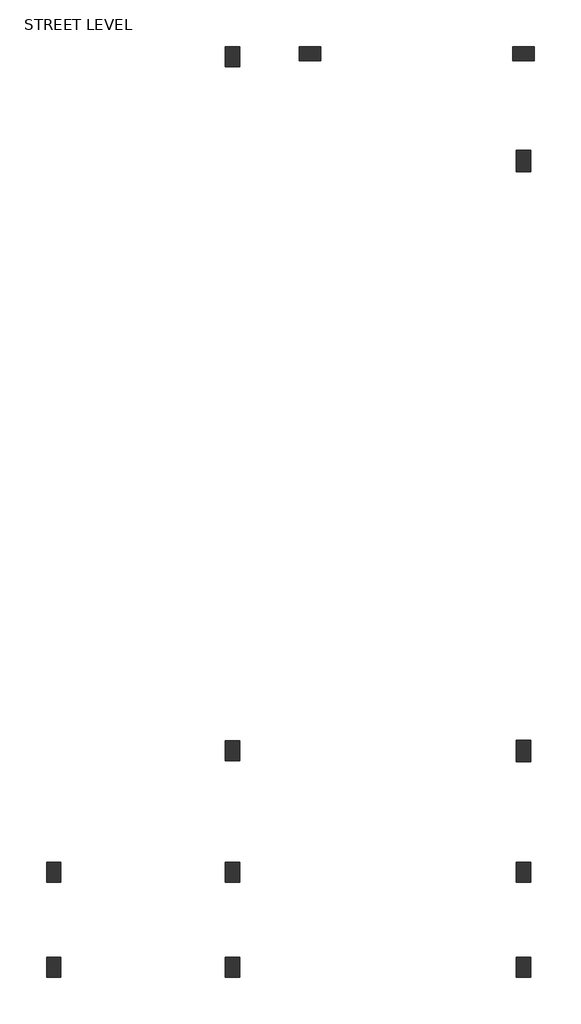
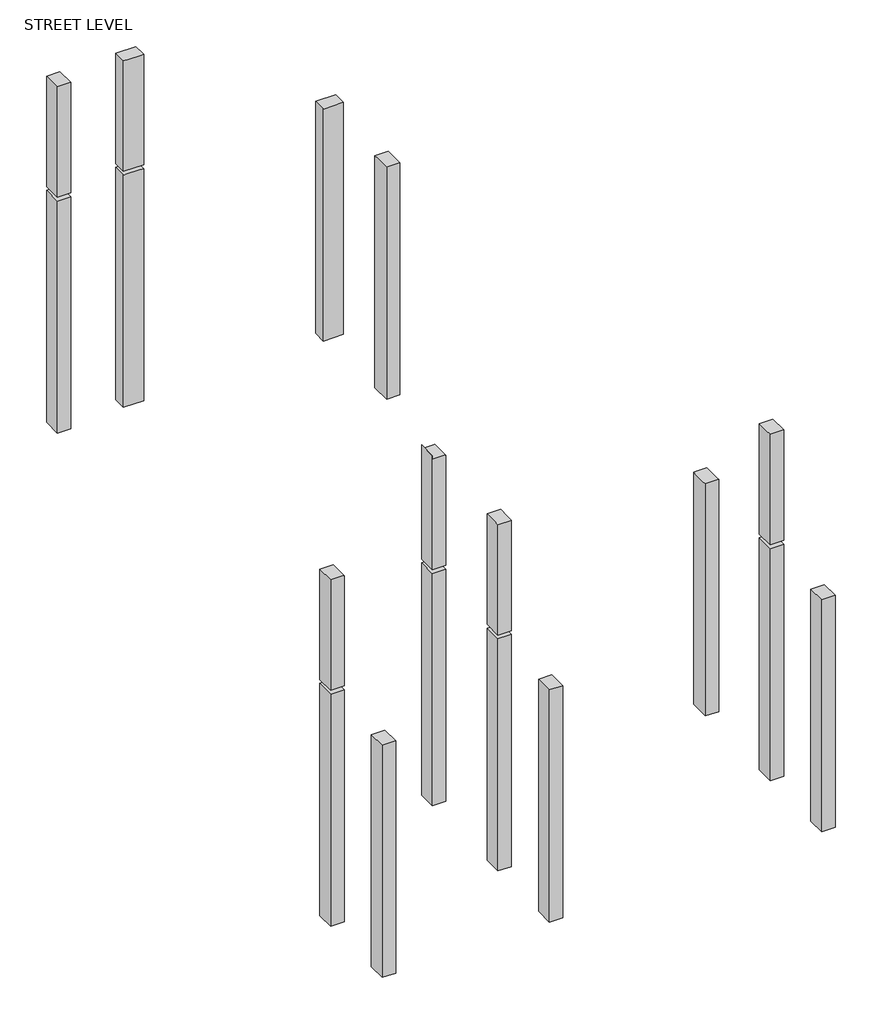
# One storey: 12 columns.
"""IFC4 building model written with IfcOpenShell, lengths in millimetres."""

from ifc_helpers import new_model, si_unit, frame, origin, place, context, project, spatial, polyline, outline, extrude, faceted_brep, element, save

model = new_model("IFC4")

# Units and contexts
model_context = context("Model", 3, world=origin())
ifc_project = project(units=[si_unit("LENGTHUNIT", "METRE", prefix="MILLI")], contexts=[model_context])

# Site, building, storey
site = spatial("IfcSite", under=ifc_project)
building = spatial("IfcBuilding", under=site)
storey = spatial("IfcBuildingStorey", under=building, Name="STREET LEVEL", Elevation=-5267.1699131)

# Columns
placement = place(None, origin())
element("IfcColumn", 1, ObjectType="SCL_Rectangular : 700x500", at=placement, inside=storey, context=model_context, shape_type="SweptSolid", body=[
    extrude(outline(polyline([(60627.0, 2230.0), (60627.0, 1530.0), (60127.0, 1530.0), (60127.0, 2230.0), (60627.0, 2230.0)])), frame((0.0, 0.0, -7067.1699131), z_axis=(0.0, 0.0, 1.0), x_axis=(1.0, 0.0, 0.0)), (0.0, 0.0, 1.0), 9140.0),
])
element("IfcColumn", 2, ObjectType="SCL_Rectangular : 700x500", at=placement, inside=storey, context=model_context, shape_type="Brep", body=[
    faceted_brep([(60627.0, 5550.0, -7067.1699131), (60627.0, 4850.0, -7067.1699131), (60127.0, 4850.0, -7067.1699131), (60127.0, 5550.0, -7067.1699131), (60127.0, 4850.0, 2072.8300869), (60177.0, 4850.0, 2072.8300869), (60627.0, 4850.0, 2072.8300869), (60627.0, 5550.0, 2072.8300869), (60177.0, 5550.0, 2072.8300869), (60127.0, 5550.0, 2072.8300869), (60127.0, 5100.0, 2072.8300869), (60127.0, 5550.0, 1622.8300869), (60627.0, 5550.0, 1622.8300869), (60627.0, 4850.0, 1622.8300869)], [[[0, 1, 2, 3]], [[4, 5, 6, 7, 8, 9, 10]], [[3, 2, 4, 10, 9, 11]], [[1, 0, 12, 7, 6, 13]], [[2, 1, 13, 6, 5, 4]], [[0, 3, 11, 9, 8, 7, 12]]]),
    faceted_brep([(60627.0, 4850.0, 2222.8300869), (60627.0, 5550.0, 2222.8300869), (60627.0, 5550.0, 6122.8300869), (60627.0, 5550.0, 6572.8300869), (60627.0, 4850.0, 6572.8300869), (60627.0, 4850.0, 6122.8300869), (60127.0, 4850.0, 2222.8300869), (60177.0, 4850.0, 6572.8300869), (60127.0, 4850.0, 6572.8300869), (60127.0, 5550.0, 2222.8300869), (60127.0, 5100.0, 6572.8300869), (60127.0, 5550.0, 6572.8300869), (60127.0, 5550.0, 6122.8300869), (60177.0, 5550.0, 6572.8300869)], [[[0, 1, 2, 3, 4, 5]], [[6, 0, 5, 4, 7, 8]], [[9, 6, 8, 10, 11, 12]], [[1, 9, 12, 11, 13, 3, 2]], [[0, 6, 9, 1]], [[4, 3, 13, 11, 10, 8, 7]]]),
])
element("IfcColumn", 3, ObjectType="SCL_Rectangular : 700x500", at=placement, inside=storey, context=model_context, shape_type="Brep", body=[
    faceted_brep([(44250.0, 5550.0, -7067.1699131), (44250.0, 4850.0, -7067.1699131), (43750.0, 4850.0, -7067.1699131), (43750.0, 5550.0, -7067.1699131), (44250.0, 4850.0, 2072.8300869), (44250.0, 5550.0, 2072.8300869), (43750.0, 5550.0, 2072.8300869), (43750.0, 4850.0, 2072.8300869)], [[[0, 1, 2, 3]], [[4, 5, 6, 7]], [[1, 0, 5, 4]], [[2, 1, 4, 7]], [[3, 2, 7, 6]], [[0, 3, 6, 5]]]),
    faceted_brep([(44250.0, 4850.0, 2222.8300869), (44250.0, 5550.0, 2222.8300869), (44250.0, 5550.0, 6122.8300869), (44250.0, 5550.0, 6572.8300869), (44250.0, 5100.0, 6572.8300869), (44250.0, 4850.0, 6572.8300869), (43750.0, 4850.0, 2222.8300869), (44200.0000001, 4850.0, 6572.8300869), (43750.0, 4850.0, 6572.8300869), (43750.0, 4850.0, 6122.8300869), (43750.0, 5550.0, 2222.8300869), (43750.0, 5550.0, 6572.8300869)], [[[0, 1, 2, 3, 4, 5]], [[6, 0, 5, 7, 8, 9]], [[10, 6, 9, 8, 11]], [[1, 10, 11, 3, 2]], [[1, 0, 6, 10]], [[5, 4, 3, 11, 8, 7]]]),
])
element("IfcColumn", 4, ObjectType="SCL_Rectangular : 700x500", at=placement, inside=storey, context=model_context, shape_type="SweptSolid", body=[
    extrude(outline(polyline([(44250.0, 2230.0), (44250.0, 1530.0), (43750.0, 1530.0), (43750.0, 2230.0), (44250.0, 2230.0)])), frame((0.0, 0.0, -7067.1699131), z_axis=(0.0, 0.0, 1.0), x_axis=(1.0, 0.0, 0.0)), (0.0, 0.0, 1.0), 9140.0),
])
element("IfcColumn", 5, ObjectType="SCL_Rectangular : 700x500", at=placement, inside=storey, context=model_context, shape_type="SweptSolid", body=[
    extrude(outline(polyline([(50480.0, 2230.0), (50480.0, 1530.0), (49980.0, 1530.0), (49980.0, 2230.0), (50480.0, 2230.0)])), frame((0.0, 0.0, -7067.1699131), z_axis=(0.0, 0.0, 1.0), x_axis=(1.0, 0.0, 0.0)), (0.0, 0.0, 1.0), 9140.0),
])
element("IfcColumn", 6, ObjectType="SCL_Rectangular : 700x500", at=placement, inside=storey, context=model_context, shape_type="Brep", body=[
    faceted_brep([(50480.0, 5550.0, -7067.1699131), (50480.0, 4850.0, -7067.1699131), (49980.0, 4850.0, -7067.1699131), (49980.0, 5550.0, -7067.1699131), (50480.0, 4850.0, 2072.8300869), (50480.0, 5550.0, 2072.8300869), (50430.0, 5550.0, 2072.8300869), (49980.0, 5550.0, 2072.8300869), (49980.0, 4850.0, 2072.8300869), (50430.0, 4850.0, 2072.8300869), (49980.0, 4850.0, 1622.8300869), (49980.0, 5550.0, 1622.8300869)], [[[0, 1, 2, 3]], [[4, 5, 6, 7, 8, 9]], [[1, 0, 5, 4]], [[2, 1, 4, 9, 8, 10]], [[3, 2, 10, 8, 7, 11]], [[0, 3, 11, 7, 6, 5]]]),
    faceted_brep([(50480.0, 4850.0, 2222.8300869), (50480.0, 5550.0, 2222.8300869), (50480.0, 5550.0, 6122.8300869), (50480.0, 5550.0, 6572.8300869), (50480.0, 5100.0, 6572.8300869), (50480.0, 4850.0, 6572.8300869), (49980.0, 4850.0, 2222.8300869), (50431.1006505, 4850.0, 6572.8300869), (49981.1006505, 4850.0, 6572.8300869), (49980.0, 4850.0, 6572.8300869), (49980.0, 5550.0, 2222.8300869), (49980.0, 5100.0, 6572.8300869), (49980.0, 5550.0, 6572.8300869), (49980.0, 5550.0, 6122.8300869), (49981.1006505, 5550.0, 6572.8300869), (50431.1006505, 5550.0, 6572.8300869)], [[[0, 1, 2, 3, 4, 5]], [[6, 0, 5, 7, 8, 9]], [[10, 6, 9, 11, 12, 13]], [[1, 10, 13, 12, 14, 15, 3, 2]], [[1, 0, 6, 10]], [[5, 4, 3, 15, 14, 12, 11, 9, 8, 7]]]),
])
element("IfcColumn", 7, ObjectType="SCL_Rectangular : 700x500", at=placement, inside=storey, context=model_context, shape_type="Brep", body=[
    faceted_brep([(50480.0, 9780.0, -7067.1699131), (50480.0, 9080.0, -7067.1699131), (49980.0, 9080.0, -7067.1699131), (49980.0, 9780.0, -7067.1699131), (50480.0, 9080.0, 2072.8300869), (50480.0, 9780.0, 2072.8300869), (50430.0, 9780.0, 2072.8300869), (49980.0, 9780.0, 2072.8300869), (49980.0, 9080.0, 2072.8300869), (50430.0, 9080.0, 2072.8300869), (49980.0, 9080.0, 1622.8300869), (49980.0, 9780.0, 1622.8300869)], [[[0, 1, 2, 3]], [[4, 5, 6, 7, 8, 9]], [[1, 0, 5, 4]], [[2, 1, 4, 9, 8, 10]], [[3, 2, 10, 8, 7, 11]], [[0, 3, 11, 7, 6, 5]]]),
    faceted_brep([(50480.0, 9080.0, 2222.8300869), (50480.0, 9780.0, 2222.8300869), (50480.0, 9780.0, 6572.8300869), (50480.0, 9655.0, 6572.8300869), (50480.0, 9205.0, 6572.8300869), (50480.0, 9080.0, 6572.8300869), (49980.0, 9080.0, 6722.8300869), (49980.0, 9080.0, 2222.8300869), (50431.1006505, 9080.0, 6572.8300869), (49981.1006505, 9080.0, 6572.8300869), (49981.1006505, 9080.0, 6722.8300869), (49980.0, 9780.0, 6722.8300869), (49980.0, 9780.0, 2222.8300869), (49981.1006505, 9780.0, 6722.8300869), (49981.1006505, 9780.0, 6572.8300869), (50431.1006505, 9780.0, 6572.8300869)], [[[0, 1, 2, 3, 4, 5]], [[6, 7, 0, 5, 8, 9, 10]], [[6, 11, 12, 7]], [[12, 11, 13, 14, 15, 2, 1]], [[11, 6, 10, 13]], [[1, 0, 7, 12]], [[14, 9, 8, 5, 4, 3, 2, 15]], [[9, 14, 13, 10]]]),
])
element("IfcColumn", 8, ObjectType="SCL_Rectangular : 700x500", at=placement, inside=storey, context=model_context, shape_type="SweptSolid", body=[
    extrude(outline(polyline([(50481.1006505, 33975.7619911), (50481.1006505, 33275.7619911), (49981.1006505, 33275.7619911), (49981.1006505, 33975.7619911), (50481.1006505, 33975.7619911)])), frame((0.0, 0.0, -7067.1699131), z_axis=(0.0, 0.0, 1.0), x_axis=(1.0, 0.0, 0.0)), (0.0, 0.0, 1.0), 9140.0),
    extrude(outline(polyline([(50481.1006505, 33975.7619911), (50481.1006505, 33275.7619911), (49981.1006505, 33275.7619911), (49981.1006505, 33975.7619911), (50481.1006505, 33975.7619911)])), frame((0.0, 0.0, 2222.8300869), z_axis=(0.0, 0.0, 1.0), x_axis=(1.0, 0.0, 0.0)), (0.0, 0.0, 1.0), 4350.0),
])
element("IfcColumn", 9, ObjectType="SCL_Rectangular : 750x500", at=placement, inside=storey, context=model_context, shape_type="Brep", body=[
    faceted_brep([(60627.0, 9805.0, -7067.1699131), (60627.0, 9055.0, -7067.1699131), (60127.0, 9055.0, -7067.1699131), (60127.0, 9805.0, -7067.1699131), (60627.0, 9805.0, 1622.8300869), (60627.0, 9805.0, 2072.8300869), (60627.0, 9655.0, 2072.8300869), (60627.0, 9205.0, 2072.8300869), (60627.0, 9180.0, 2072.8300869), (60627.0, 9085.0, 2072.8300869), (60627.0, 9055.0, 2072.8300869), (60627.0, 9055.0, 1622.8300869), (60177.0, 9055.0, 2072.8300869), (60127.0, 9055.0, 2072.8300869), (60127.0, 9205.0, 2072.8300869), (60127.0, 9655.0, 2072.8300869), (60127.0, 9805.0, 2072.8300869), (60177.0, 9805.0, 2072.8300869)], [[[0, 1, 2, 3]], [[1, 0, 4, 5, 6, 7, 8, 9, 10, 11]], [[2, 1, 11, 10, 12, 13]], [[3, 2, 13, 14, 15, 16]], [[0, 3, 16, 17, 5, 4]], [[10, 9, 8, 7, 6, 5, 17, 16, 15, 14, 13, 12]]]),
])
element("IfcColumn", 10, ObjectType="SCL_Rectangular : 750x500", at=placement, inside=storey, context=model_context, shape_type="Brep", body=[
    faceted_brep([(60627.0, 30365.0, -7067.1699131), (60627.0, 29615.0, -7067.1699131), (60127.0, 29615.0, -7067.1699131), (60127.0, 30365.0, -7067.1699131), (60627.0, 30365.0, 1622.8300869), (60627.0, 30365.0, 2072.8300869), (60627.0, 30190.0, 2072.8300869), (60627.0, 29740.0, 2072.8300869), (60627.0, 29615.0, 2072.8300869), (60627.0, 29615.0, 1622.8300869), (60177.0, 29615.0, 2072.8300869), (60127.0, 29615.0, 2072.8300869), (60127.0, 29740.0, 2072.8300869), (60127.0, 30190.0, 2072.8300869), (60127.0, 30365.0, 2072.8300869), (60177.0, 30365.0, 2072.8300869)], [[[0, 1, 2, 3]], [[1, 0, 4, 5, 6, 7, 8, 9]], [[2, 1, 9, 8, 10, 11]], [[3, 2, 11, 12, 13, 14]], [[0, 3, 14, 15, 5, 4]], [[8, 7, 6, 5, 15, 14, 13, 12, 11, 10]]]),
])
element("IfcColumn", 11, ObjectType="SCL_Rectangular : 750x500", at=placement, inside=storey, context=model_context, shape_type="Brep", body=[
    faceted_brep([(52558.1006505, 33975.7619911, -7067.1699131), (53308.1006505, 33975.7619911, -7067.1699131), (53308.1006505, 33475.7619911, -7067.1699131), (52558.1006505, 33475.7619911, -7067.1699131), (53308.1006505, 33975.7619911, 2072.8300869), (52558.1006505, 33975.7619911, 2072.8300869), (52558.1006505, 33526.0, 2072.8300869), (52558.1006505, 33475.7619911, 2072.8300869), (52707.0, 33475.7619911, 2072.8300869), (53157.0, 33475.7619911, 2072.8300869), (53308.1006505, 33475.7619911, 2072.8300869), (53308.1006505, 33526.0, 2072.8300869), (52558.1006505, 33975.7619911, 1622.8300869), (53308.1006505, 33975.7619911, 1622.8300869)], [[[0, 1, 2, 3]], [[4, 5, 6, 7, 8, 9, 10, 11]], [[1, 0, 12, 5, 4, 13]], [[2, 1, 13, 4, 11, 10]], [[3, 2, 10, 9, 8, 7]], [[0, 3, 7, 6, 5, 12]]]),
    faceted_brep([(53308.1006505, 33975.7619911, 2222.8300869), (52558.1006505, 33975.7619911, 2222.8300869), (52558.1006505, 33975.7619911, 6122.8300869), (52558.1006505, 33975.7619911, 6572.8300869), (53308.1006505, 33975.7619911, 6572.8300869), (53308.1006505, 33975.7619911, 6122.8300869), (53308.1006505, 33475.7619911, 2222.8300869), (53308.1006505, 33525.7619911, 6572.8300869), (53308.1006505, 33475.7619911, 6572.8300869), (52558.1006505, 33475.7619911, 2222.8300869), (53157.0, 33475.7619911, 6572.8300869), (52707.0, 33475.7619911, 6572.8300869), (52558.1006505, 33475.7619911, 6572.8300869), (52558.1006505, 33525.7619911, 6572.8300869)], [[[0, 1, 2, 3, 4, 5]], [[6, 0, 5, 4, 7, 8]], [[9, 6, 8, 10, 11, 12]], [[1, 9, 12, 13, 3, 2]], [[1, 0, 6, 9]], [[4, 3, 13, 12, 11, 10, 8, 7]]]),
])
element("IfcColumn", 12, ObjectType="SCL_Rectangular : 750x500", at=placement, inside=storey, context=model_context, shape_type="Brep", body=[
    faceted_brep([(60003.1006505, 33974.5570666, -7067.1699131), (60753.1006505, 33974.5570666, -7067.1699131), (60753.1006505, 33474.5570666, -7067.1699131), (60003.1006505, 33474.5570666, -7067.1699131), (60003.1006505, 33974.5570666, 1622.8300869), (60003.1006505, 33974.5570666, 2072.8300869), (60753.1006505, 33974.5570666, 2072.8300869), (60753.1006505, 33974.5570666, 1622.8300869), (60753.1006505, 33526.0, 2072.8300869), (60753.1006505, 33474.5570666, 2072.8300869), (60003.1006505, 33474.5570666, 2072.8300869), (60003.1006505, 33526.0, 2072.8300869)], [[[0, 1, 2, 3]], [[1, 0, 4, 5, 6, 7]], [[2, 1, 7, 6, 8, 9]], [[3, 2, 9, 10]], [[0, 3, 10, 11, 5, 4]], [[6, 5, 11, 10, 9, 8]]]),
])

save(model, "model.ifc")
